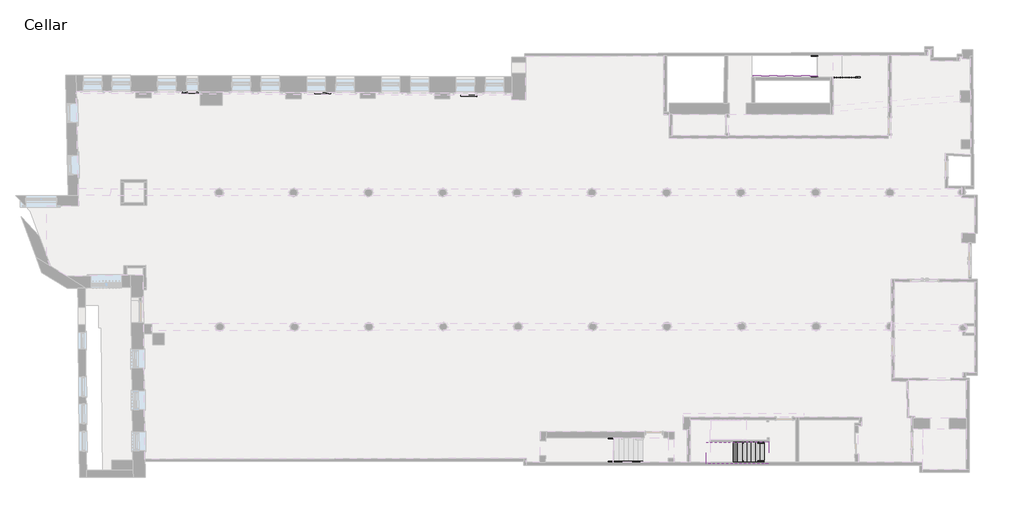
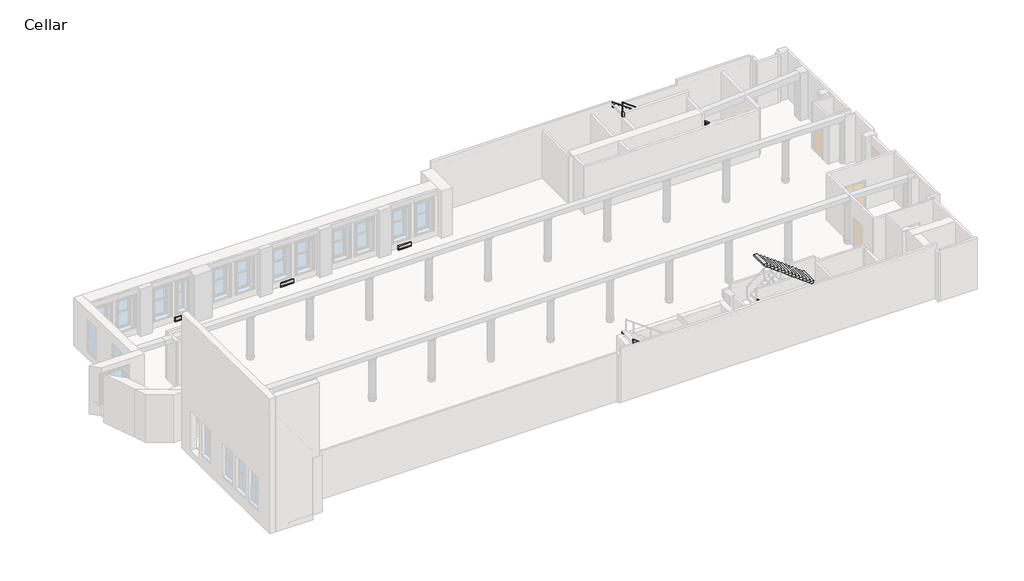
# One storey, part 6 of 6: 4 members, 4 railings, 3 proxies, 2 stair flights.
"""IFC4 building model written with IfcOpenShell, lengths in millimetres."""

import ifcopenshell
import ifcopenshell.guid

model = None  # the IFC model being written
_history = None  # IfcOwnerHistory: only IFC2X3 demands one
_inside = {}  # id of a spatial element -> (the spatial element, [elements in it])
_under = {}  # id of a project, library or spatial element -> (it, [spatial elements below it])
_declared = {}  # id of a project -> (the project, [libraries it declares])
_typed = {}  # id of a type object -> (the type object, [elements of that type])
_made_of = {}  # id of a material, layer set ... -> (it, [elements and type objects made of it])


def new_model(schema):
    """Start an empty IFC model of exactly this schema.

    Asked for "IFC4X3", IfcOpenShell would pick the latest addendum, in which some entities
    have other attributes; the version numbers below select the first issue.
    IFC2X3 requires an IfcOwnerHistory on every rooted entity: one is made here for all.
    """
    global model, _history
    if schema == "IFC4X3":
        model = ifcopenshell.file(schema_version=(4, 3, 0, 0))
    else:
        model = ifcopenshell.file(schema=schema)
    _inside.clear()
    _under.clear()
    _declared.clear()
    _typed.clear()
    _made_of.clear()
    _history = None
    if model.schema == "IFC2X3":
        org = make("IfcOrganization", Name="unknown")
        user = make(
            "IfcPersonAndOrganization",
            ThePerson=make("IfcPerson", FamilyName="unknown"),
            TheOrganization=org,
        )
        app = make(
            "IfcApplication",
            ApplicationDeveloper=org,
            Version="unknown",
            ApplicationFullName="unknown",
            ApplicationIdentifier="unknown",
        )
        _history = make(
            "IfcOwnerHistory",
            OwningUser=user,
            OwningApplication=app,
            ChangeAction="ADDED",
            CreationDate=0,
        )
    return model


def make(cls, **values):
    """One entity of the class cls with the attributes given. An attribute that is None is left unset."""
    return model.create_entity(
        cls, **{name: value for name, value in values.items() if value is not None}
    )


def rooted(cls, **values):
    """An entity with a GlobalId (a new one), such as an element, a storey or a relation."""
    return make(cls, GlobalId=ifcopenshell.guid.new(), OwnerHistory=_history, **values)


def si_unit(unit_type, name, prefix=None):
    """IfcSIUnit, for example si_unit("LENGTHUNIT", "METRE", prefix="MILLI")."""
    return make("IfcSIUnit", UnitType=unit_type, Prefix=prefix, Name=name)


def assignment(units):
    """IfcUnitAssignment: the units of a project."""
    return None if units is None else make("IfcUnitAssignment", Units=units)


def point(xyz):
    """IfcCartesianPoint."""
    return None if xyz is None else make("IfcCartesianPoint", Coordinates=xyz)


def direction(xyz):
    """IfcDirection."""
    return None if xyz is None else make("IfcDirection", DirectionRatios=xyz)


def frame(location, z_axis=None, x_axis=None):
    """IfcAxis2Placement3D, a coordinate frame: its origin and axes. An axis left out is left unset."""
    return make(
        "IfcAxis2Placement3D",
        Location=point(location),
        Axis=direction(z_axis),
        RefDirection=direction(x_axis),
    )


def origin():
    """The frame at (0, 0, 0) with its axes left unset."""
    return frame((0.0, 0.0, 0.0))


def origin_with_axes():
    """The frame at (0, 0, 0) with the z axis (0, 0, 1) and the x axis (1, 0, 0) written out."""
    return frame((0.0, 0.0, 0.0), z_axis=(0.0, 0.0, 1.0), x_axis=(1.0, 0.0, 0.0))


def place(relative_to, where):
    """IfcLocalPlacement: puts the frame where relative to a parent placement (None: the world)."""
    return make(
        "IfcLocalPlacement", PlacementRelTo=relative_to, RelativePlacement=where
    )


def context(
    kind, dimensions, precision=None, world=None, true_north=None, identifier=None
):
    """IfcGeometricRepresentationContext, for example the 3D "Model" context."""
    return make(
        "IfcGeometricRepresentationContext",
        ContextIdentifier=identifier,
        ContextType=kind,
        CoordinateSpaceDimension=dimensions,
        Precision=precision,
        WorldCoordinateSystem=world,
        TrueNorth=true_north,
    )


def project(units=None, contexts=None):
    """IfcProject with its units and contexts."""
    return rooted(
        "IfcProject",
        Name="project",
        RepresentationContexts=contexts,
        UnitsInContext=assignment(units),
    )


def spatial(cls, under=None, at=None, **own):
    """A site, building, storey or space (cls), placed at a placement, below another one or the project."""
    s = rooted(cls, ObjectPlacement=at, **own)
    if under is not None:
        _under.setdefault(under.id(), (under, []))[1].append(s)
    return s


def polyline(points):
    """IfcPolyline through the points."""
    return make("IfcPolyline", Points=[point(p) for p in points])


def circle_curve(where, radius):
    """IfcCircle in the frame where."""
    return make("IfcCircle", Position=where, Radius=radius)


def ellipse_curve(where, semi_axis1, semi_axis2):
    """IfcEllipse in the frame where."""
    return make(
        "IfcEllipse", Position=where, SemiAxis1=semi_axis1, SemiAxis2=semi_axis2
    )


def outline(outer, holes=None, kind="AREA"):
    """IfcArbitraryClosedProfileDef: a profile drawn as a closed curve; with holes, ...WithVoids."""
    if holes is None:
        return make("IfcArbitraryClosedProfileDef", ProfileType=kind, OuterCurve=outer)
    return make(
        "IfcArbitraryProfileDefWithVoids",
        ProfileType=kind,
        OuterCurve=outer,
        InnerCurves=holes,
    )


def extrude(swept, where, along, depth):
    """IfcExtrudedAreaSolid: the profile swept, set in the frame where, extruded along a direction by depth."""
    return make(
        "IfcExtrudedAreaSolid",
        SweptArea=swept,
        Position=where,
        ExtrudedDirection=direction(along),
        Depth=depth,
    )


def faces_of(points, faces, orient=None, outer=None):
    """IfcFace entities. A face is a list of loops; a loop is a list of indices into points, from 0.

    orient and outer hold one flag for each loop. By default every Orientation is true, the
    first loop of a face is its IfcFaceOuterBound and the others are IfcFaceBound.
    """
    made = []
    for i, loops in enumerate(faces):
        bounds = []
        for j, loop in enumerate(loops):
            is_outer = j == 0 if outer is None else outer[i][j]
            bounds.append(
                make(
                    "IfcFaceOuterBound" if is_outer else "IfcFaceBound",
                    Bound=make("IfcPolyLoop", Polygon=[points[k] for k in loop]),
                    Orientation=True if orient is None else orient[i][j],
                )
            )
        made.append(make("IfcFace", Bounds=bounds))
    return made


def faceted_brep(points, faces, orient=None, outer=None, voids=None):
    """IfcFacetedBrep: a solid bounded by flat faces; with voids (closed shells), ...WithVoids."""
    shared = [point(p) for p in points]
    hull = make("IfcClosedShell", CfsFaces=faces_of(shared, faces, orient, outer))
    if voids is None:
        return make("IfcFacetedBrep", Outer=hull)
    return make(
        "IfcFacetedBrepWithVoids",
        Outer=hull,
        Voids=[
            make(cls, CfsFaces=faces_of(shared, fs, o, b)) for cls, fs, o, b in voids
        ],
    )


def shape(context_of_items, identifier, shape_type, items):
    """IfcShapeRepresentation: the items that make up one representation, for example the "Body"."""
    return make(
        "IfcShapeRepresentation",
        ContextOfItems=context_of_items,
        RepresentationIdentifier=identifier,
        RepresentationType=shape_type,
        Items=items,
    )


def source(mapping_origin, context_of_items, identifier, shape_type, items):
    """IfcRepresentationMap: a shape defined once, which mapped items show again and again."""
    return make(
        "IfcRepresentationMap",
        MappingOrigin=mapping_origin,
        MappedRepresentation=shape(context_of_items, identifier, shape_type, items),
    )


def transform(
    local_origin,
    x_axis=None,
    y_axis=None,
    z_axis=None,
    scale=None,
    scale2=None,
    scale3=None,
    uniform=True,
):
    """IfcCartesianTransformationOperator3D, or its non-uniform kind. x_axis, y_axis, z_axis: its Axis1, 2, 3."""
    if uniform:
        return make(
            "IfcCartesianTransformationOperator3D",
            Axis1=direction(x_axis),
            Axis2=direction(y_axis),
            LocalOrigin=point(local_origin),
            Scale=scale,
            Axis3=direction(z_axis),
        )
    return make(
        "IfcCartesianTransformationOperator3DnonUniform",
        Axis1=direction(x_axis),
        Axis2=direction(y_axis),
        LocalOrigin=point(local_origin),
        Scale=scale,
        Axis3=direction(z_axis),
        Scale2=scale2,
        Scale3=scale3,
    )


def mapped(mapping_source, mapping_target):
    """IfcMappedItem: shows the shape of a source again, moved by a transform."""
    return make(
        "IfcMappedItem", MappingSource=mapping_source, MappingTarget=mapping_target
    )


def made_of(thing, what):
    """Note that an element or type object is made of a material, layer set ...; save() writes the relation."""
    if what is not None:
        _made_of.setdefault(what.id(), (what, []))[1].append(thing)
    return thing


def element(
    cls,
    number,
    at=None,
    inside=None,
    cuts=None,
    type_object=None,
    material=None,
    context=None,
    identifier="Body",
    shape_type=None,
    held_by="IfcProductDefinitionShape",
    body=None,
    shapes=None,
    **own,
):
    """One element of the class cls, such as IfcWall. Its Tag is "e" and its number.

    at: its placement. inside: the storey or other place that contains it. cuts: it is an
    opening in that element (IfcRelVoidsElement). A single representation is given by context,
    identifier, shape_type and body (its items); several are given by shapes. held_by: the class
    of the entity that holds the representations. save() writes the other relations.
    """
    e = rooted(cls, Tag="e%d" % number, ObjectPlacement=at, **own)
    if body is not None:
        shapes = [shape(context, identifier, shape_type, body)]
    if shapes is not None:
        e.Representation = make(held_by, Representations=shapes)
    if inside is not None:
        _inside.setdefault(inside.id(), (inside, []))[1].append(e)
    if cuts is not None:
        rooted(
            "IfcRelVoidsElement", RelatingBuildingElement=cuts, RelatedOpeningElement=e
        )
    if type_object is not None:
        _typed.setdefault(type_object.id(), (type_object, []))[1].append(e)
    return made_of(e, material)


def aggregate(whole, parts):
    """IfcRelAggregates: a whole, such as a stair, and the parts it consists of."""
    return rooted("IfcRelAggregates", RelatingObject=whole, RelatedObjects=parts)


def save(model, path):
    """Write the relations noted so far, then the file.

    IfcRelAggregates (storeys below a building ...), IfcRelContainedInSpatialStructure (elements
    in a storey), IfcRelDefinesByType, IfcRelAssociatesMaterial and IfcRelDeclares: one each for
    every whole, place, type object, material and project.
    """
    for whole, parts in _under.values():
        aggregate(whole, parts)
    for where, things in _inside.values():
        rooted(
            "IfcRelContainedInSpatialStructure",
            RelatedElements=things,
            RelatingStructure=where,
        )
    for kind, things in _typed.values():
        rooted("IfcRelDefinesByType", RelatedObjects=things, RelatingType=kind)
    for what, things in _made_of.values():
        rooted("IfcRelAssociatesMaterial", RelatedObjects=things, RelatingMaterial=what)
    for by, libraries in _declared.values():
        rooted("IfcRelDeclares", RelatingContext=by, RelatedDefinitions=libraries)
    model.write(path)


def plane_surface(at):
    """IfcPlane: the flat surface through the origin of the frame at, square to its z axis."""
    return make("IfcPlane", Position=at)


def cylinder_surface(at, radius):
    """IfcCylindricalSurface: all points at the distance radius from the z axis of the frame at."""
    return make("IfcCylindricalSurface", Position=at, Radius=radius)


def advanced_brep(points, edges, surfaces, faces):
    """IfcAdvancedBrep: a solid bounded by faces that lie on surfaces and meet in shared edges.

    An edge is (start, end): straight between two places in points (the first is 0);
    or (start, end, curve); or (start, end, curve, False) where it runs against its curve.
    A face is (place in surfaces, loops), or (place, loops, False) where it looks against
    its surface's normal. A loop lists edges by number (the first is 1), with a minus sign
    where the edge is run from its end to its start. The first loop is the outer one.
    """
    corners = [point(p) for p in points]
    vertices = [make("IfcVertexPoint", VertexGeometry=c) for c in corners]
    made = []
    for start, end, *more in edges:
        made.append(
            make(
                "IfcEdgeCurve",
                EdgeStart=vertices[start],
                EdgeEnd=vertices[end],
                EdgeGeometry=more[0] if more else make("IfcPolyline", Points=[corners[start], corners[end]]),
                SameSense=more[1] if len(more) > 1 else True,
            )
        )
    hull = []
    for where, loops, *sense in faces:
        bounds = []
        for j, loop in enumerate(loops):
            ring = [make("IfcOrientedEdge", EdgeElement=made[abs(k) - 1], Orientation=k > 0) for k in loop]
            bounds.append(
                make(
                    "IfcFaceOuterBound" if j == 0 else "IfcFaceBound",
                    Bound=make("IfcEdgeLoop", EdgeList=ring),
                    Orientation=True,
                )
            )
        hull.append(make("IfcAdvancedFace", Bounds=bounds, FaceSurface=surfaces[where], SameSense=sense[0] if sense else True))
    return make("IfcAdvancedBrep", Outer=make("IfcClosedShell", CfsFaces=hull))


def baseboard_heater_02_baseboard_heater_03_ea07f9ee(model_context):
    return source(origin(), model_context, "Body", "SweptSolid", [
        extrude(outline(polyline([(457.2, 0.0), (-457.2, 0.0), (-457.2, 76.2), (457.2, 76.2), (457.2, 0.0)])), origin_with_axes(), (0.0, 0.0, 1.0), 63.5),
        extrude(outline(polyline([(457.2, 25.4), (-457.2, 25.4), (-457.2, 76.2), (457.2, 76.2), (457.2, 25.4)])), frame((0.0, 0.0, 63.5), z_axis=(0.0, 0.0, 1.0), x_axis=(1.0, 0.0, 0.0)), (0.0, 0.0, 1.0), 25.4),
        extrude(outline(polyline([(457.2, 0.0), (-457.2, 0.0), (-457.2, 76.2), (457.2, 76.2), (457.2, 0.0)])), frame((0.0, 0.0, 88.9), z_axis=(0.0, 0.0, 1.0), x_axis=(1.0, 0.0, 0.0)), (0.0, 0.0, 1.0), 215.8067597),
    ])


def baseboard_heater_02_baseboard_heater_03_cfe7ee0d(model_context):
    return source(origin(), model_context, "Body", "SweptSolid", [
        extrude(outline(polyline([(457.2, 0.0), (457.2, -76.2), (-457.2, -76.2), (-457.2, 0.0), (457.2, 0.0)])), origin_with_axes(), (0.0, 0.0, 1.0), 63.5),
        extrude(outline(polyline([(457.2, -25.4), (457.2, -76.2), (-457.2, -76.2), (-457.2, -25.4), (457.2, -25.4)])), frame((0.0, 0.0, 63.5), z_axis=(0.0, 0.0, 1.0), x_axis=(1.0, 0.0, 0.0)), (0.0, 0.0, 1.0), 25.4),
        extrude(outline(polyline([(457.2, 0.0), (457.2, -76.2), (-457.2, -76.2), (-457.2, 0.0), (457.2, 0.0)])), frame((0.0, 0.0, 88.9), z_axis=(0.0, 0.0, 1.0), x_axis=(1.0, 0.0, 0.0)), (0.0, 0.0, 1.0), 215.8067597),
    ])


model = new_model("IFC4")

# Units and contexts
model_context = context("Model", 3, world=origin())
ifc_project = project(units=[si_unit("LENGTHUNIT", "METRE", prefix="MILLI")], contexts=[model_context])

# Site, building, storey
site = spatial("IfcSite", under=ifc_project)
building = spatial("IfcBuilding", under=site)
storey = spatial("IfcBuildingStorey", under=building, Name="Cellar", Elevation=-4064.0)

# Proxies
placement = place(None, origin())
baseboard_heater_02_baseboard_heater_03_shape = baseboard_heater_02_baseboard_heater_03_ea07f9ee(model_context)
element("IfcBuildingElementProxy", 1, Name="Baseboard Heater_02 : Baseboard Heater_03", ObjectType="Baseboard Heater_02 : Baseboard Heater_03", at=placement, inside=storey, context=model_context, shape_type="MappedRepresentation", body=[
    mapped(baseboard_heater_02_baseboard_heater_03_shape, transform((25103.0814205, 22199.0177745, -4064.0), x_axis=(0.999992402785098, -0.003897995906368524, 0.0), y_axis=(0.0038979959063685237, 0.9999924027850979, 0.0), z_axis=(0.0, 0.0, 0.9999999999999999))),
])
element("IfcBuildingElementProxy", 2, Name="Baseboard Heater_02 : Baseboard Heater_03", ObjectType="Baseboard Heater_02 : Baseboard Heater_03", at=placement, inside=storey, context=model_context, shape_type="MappedRepresentation", body=[
    mapped(baseboard_heater_02_baseboard_heater_03_shape, transform((16837.9893758, 22358.9778881, -4044.95), x_axis=(0.999992402785098, -0.0038979959063685237, 0.0), y_axis=(0.0038979959063685232, 0.9999924027850979, 0.0), z_axis=(0.0, 0.0, 0.9999999999999999))),
])
baseboard_heater_02_baseboard_heater_03_2_shape = baseboard_heater_02_baseboard_heater_03_cfe7ee0d(model_context)
element("IfcBuildingElementProxy", 3, Name="Baseboard Heater_02 : Baseboard Heater_03", ObjectType="Baseboard Heater_02 : Baseboard Heater_03", at=placement, inside=storey, context=model_context, shape_type="MappedRepresentation", body=[
    mapped(baseboard_heater_02_baseboard_heater_03_2_shape, transform((9323.4434813, 22388.3193118, -4044.95), x_axis=(-0.999992402785098, -0.003897995906368524, 0.0), y_axis=(0.0038979959063685237, -0.9999924027850979, 0.0), z_axis=(0.0, 0.0, 0.9999999999999999))),
])

# Members
element("IfcMember", 4, ObjectType="Stringer - 2\" Width", at=placement, inside=storey, context=model_context, shape_type="SweptSolid", body=[
    extrude(outline(polyline([(-4114.8, 34963.5517692), (-3890.4278191, 34963.5517692), (196.904739, 29336.1817692), (-179.8108644, 29336.1817692), (-4114.8, 34753.8079342), (-4114.8, 34963.5517692)])), frame((0.0, 1453.9573887, 0.0), z_axis=(0.0, 1.0, 0.0), x_axis=(0.0, 0.0, 1.0)), (0.0, 0.0, 1.0), 50.8),
])
element("IfcMember", 5, ObjectType="Stringer - 2\" Width", at=placement, inside=storey, context=model_context, shape_type="Brep", body=[
    faceted_brep([(34931.8017692, 2793.5423935, -4114.8), (34753.8079342, 2793.5423935, -4114.8), (34753.8079342, 2844.3423935, -4114.8), (34931.8017692, 2844.3423935, -4114.8), (29336.1817692, 2844.3423935, -179.8108644), (29336.1817692, 2793.5423935, -179.8108644), (29336.1817692, 2793.5423935, -78.2674419), (29336.1817692, 2844.3423935, -78.2674419), (29572.4017692, 2844.3423935, -351.384743), (29840.3717692, 2844.3423935, -546.0196267), (30108.3417692, 2844.3423935, -740.6545104), (30376.3117692, 2844.3423935, -935.2893941), (30644.2817692, 2844.3423935, -1129.9242779), (30912.2517692, 2844.3423935, -1324.5591616), (31180.2217692, 2844.3423935, -1519.1940453), (31448.1917692, 2844.3423935, -1713.828929), (31716.1617692, 2844.3423935, -1908.4638127), (31984.1317692, 2844.3423935, -2103.0986965), (32252.1017692, 2844.3423935, -2297.7335802), (32520.0717692, 2844.3423935, -2492.3684639), (32788.0417692, 2844.3423935, -2687.0033476), (33056.0117692, 2844.3423935, -2881.6382313), (33323.9817692, 2844.3423935, -3076.2731151), (33591.9517692, 2844.3423935, -3270.9079988), (33859.9217692, 2844.3423935, -3465.5428825), (34127.8917692, 2844.3423935, -3660.1777662), (34395.8617692, 2844.3423935, -3854.81265), (34663.8317692, 2844.3423935, -4049.4475337), (34931.8017692, 2793.5423935, -3970.9651163), (34663.8317692, 2793.5423935, -3970.9651163), (34663.8317692, 2793.5423935, -3776.3302326), (34395.8617692, 2793.5423935, -3776.3302326), (34395.8617692, 2793.5423935, -3581.6953488), (34127.8917692, 2793.5423935, -3581.6953488), (34127.8917692, 2793.5423935, -3387.0604651), (33859.9217692, 2793.5423935, -3387.0604651), (33859.9217692, 2793.5423935, -3192.4255814), (33591.9517692, 2793.5423935, -3192.4255814), (33591.9517692, 2793.5423935, -2997.7906977), (33323.9817692, 2793.5423935, -2997.7906977), (33323.9817692, 2793.5423935, -2803.155814), (33056.0117692, 2793.5423935, -2803.155814), (33056.0117692, 2793.5423935, -2608.5209302), (32788.0417692, 2793.5423935, -2608.5209302), (32788.0417692, 2793.5423935, -2413.8860465), (32520.0717692, 2793.5423935, -2413.8860465), (32520.0717692, 2793.5423935, -2219.2511628), (32252.1017692, 2793.5423935, -2219.2511628), (32252.1017692, 2793.5423935, -2024.6162791), (31984.1317692, 2793.5423935, -2024.6162791), (31984.1317692, 2793.5423935, -1829.9813953), (31716.1617692, 2793.5423935, -1829.9813953), (31716.1617692, 2793.5423935, -1635.3465116), (31448.1917692, 2793.5423935, -1635.3465116), (31448.1917692, 2793.5423935, -1440.7116279), (31180.2217692, 2793.5423935, -1440.7116279), (31180.2217692, 2793.5423935, -1246.0767442), (30912.2517692, 2793.5423935, -1246.0767442), (30912.2517692, 2793.5423935, -1051.4418605), (30644.2817692, 2793.5423935, -1051.4418605), (30644.2817692, 2793.5423935, -856.8069767), (30376.3117692, 2793.5423935, -856.8069767), (30376.3117692, 2793.5423935, -662.172093), (30108.3417692, 2793.5423935, -662.172093), (30108.3417692, 2793.5423935, -467.5372093), (29840.3717692, 2793.5423935, -467.5372093), (29840.3717692, 2793.5423935, -272.9023256), (29572.4017692, 2793.5423935, -272.9023256), (29572.4017692, 2793.5423935, -78.2674419), (29572.4017692, 2844.3423935, -78.2674419), (29572.4017692, 2844.3423935, -272.9023256), (29840.3717692, 2844.3423935, -272.9023256), (29840.3717692, 2844.3423935, -467.5372093), (30108.3417692, 2844.3423935, -467.5372093), (30108.3417692, 2844.3423935, -662.172093), (30376.3117692, 2844.3423935, -662.172093), (30376.3117692, 2844.3423935, -856.8069767), (30644.2817692, 2844.3423935, -856.8069767), (30644.2817692, 2844.3423935, -1051.4418605), (30912.2517692, 2844.3423935, -1051.4418605), (30912.2517692, 2844.3423935, -1246.0767442), (31180.2217692, 2844.3423935, -1246.0767442), (31180.2217692, 2844.3423935, -1440.7116279), (31448.1917692, 2844.3423935, -1440.7116279), (31448.1917692, 2844.3423935, -1635.3465116), (31716.1617692, 2844.3423935, -1635.3465116), (31716.1617692, 2844.3423935, -1829.9813953), (31984.1317692, 2844.3423935, -1829.9813953), (31984.1317692, 2844.3423935, -2024.6162791), (32252.1017692, 2844.3423935, -2024.6162791), (32252.1017692, 2844.3423935, -2219.2511628), (32520.0717692, 2844.3423935, -2219.2511628), (32520.0717692, 2844.3423935, -2413.8860465), (32788.0417692, 2844.3423935, -2413.8860465), (32788.0417692, 2844.3423935, -2608.5209302), (33056.0117692, 2844.3423935, -2608.5209302), (33056.0117692, 2844.3423935, -2803.155814), (33323.9817692, 2844.3423935, -2803.155814), (33323.9817692, 2844.3423935, -2997.7906977), (33591.9517692, 2844.3423935, -2997.7906977), (33591.9517692, 2844.3423935, -3192.4255814), (33859.9217692, 2844.3423935, -3192.4255814), (33859.9217692, 2844.3423935, -3387.0604651), (34127.8917692, 2844.3423935, -3387.0604651), (34127.8917692, 2844.3423935, -3581.6953488), (34395.8617692, 2844.3423935, -3581.6953488), (34395.8617692, 2844.3423935, -3776.3302326), (34663.8317692, 2844.3423935, -3776.3302326), (34663.8317692, 2844.3423935, -3970.9651163), (34931.8017692, 2844.3423935, -3970.9651163)], [[[0, 1, 2, 3]], [[4, 5, 6, 7]], [[5, 4, 8, 9, 10, 11, 12, 13, 14, 15, 16, 17, 18, 19, 20, 21, 22, 23, 24, 25, 26, 27, 2, 1]], [[6, 5, 1, 0, 28, 29, 30, 31, 32, 33, 34, 35, 36, 37, 38, 39, 40, 41, 42, 43, 44, 45, 46, 47, 48, 49, 50, 51, 52, 53, 54, 55, 56, 57, 58, 59, 60, 61, 62, 63, 64, 65, 66, 67, 68]], [[68, 69, 7, 6]], [[4, 7, 69, 70, 71, 72, 73, 74, 75, 76, 77, 78, 79, 80, 81, 82, 83, 84, 85, 86, 87, 88, 89, 90, 91, 92, 93, 94, 95, 96, 97, 98, 99, 100, 101, 102, 103, 104, 105, 106, 107, 108, 109, 3, 2, 27, 26, 25, 24, 23, 22, 21, 20, 19, 18, 17, 16, 15, 14, 13, 12, 11, 10, 9, 8]], [[109, 28, 0, 3]], [[28, 109, 108, 29]], [[29, 108, 107, 30]], [[30, 107, 106, 31]], [[31, 106, 105, 32]], [[32, 105, 104, 33]], [[33, 104, 103, 34]], [[34, 103, 102, 35]], [[35, 102, 101, 36]], [[36, 101, 100, 37]], [[37, 100, 99, 38]], [[38, 99, 98, 39]], [[39, 98, 97, 40]], [[40, 97, 96, 41]], [[41, 96, 95, 42]], [[42, 95, 94, 43]], [[43, 94, 93, 44]], [[44, 93, 92, 45]], [[45, 92, 91, 46]], [[46, 91, 90, 47]], [[47, 90, 89, 48]], [[48, 89, 88, 49]], [[49, 88, 87, 50]], [[50, 87, 86, 51]], [[51, 86, 85, 52]], [[52, 85, 84, 53]], [[53, 84, 83, 54]], [[54, 83, 82, 55]], [[55, 82, 81, 56]], [[56, 81, 80, 57]], [[57, 80, 79, 58]], [[58, 79, 78, 59]], [[59, 78, 77, 60]], [[60, 77, 76, 61]], [[61, 76, 75, 62]], [[62, 75, 74, 63]], [[63, 74, 73, 64]], [[64, 73, 72, 65]], [[65, 72, 71, 66]], [[66, 71, 70, 67]], [[67, 70, 69, 68]]]),
])
element("IfcMember", 6, ObjectType="Stringer - 2\" Width", at=placement, inside=storey, context=model_context, shape_type="SweptSolid", body=[
    extrude(outline(polyline([(-2971.8, 44889.8101274), (-2748.0959837, 44889.8101274), (-58.8709837, 41156.0101274), (-434.4982374, 41156.0101274), (-2971.8, 44678.8753846), (-2971.8, 44889.8101274)])), frame((0.0, 23277.1696018, 0.0), z_axis=(0.0, 1.0, 0.0), x_axis=(0.0, 0.0, 1.0)), (0.0, 0.0, 1.0), 50.8),
])
element("IfcMember", 7, ObjectType="Stringer - 2\" Width", at=placement, inside=storey, context=model_context, shape_type="SweptSolid", body=[
    extrude(outline(polyline([(-2971.8, 44889.8101274), (-2748.0959837, 44889.8101274), (-58.8709837, 41156.0101274), (-434.4982374, 41156.0101274), (-2971.8, 44678.8753846), (-2971.8, 44889.8101274)])), frame((0.0, 24465.7360438, 0.0), z_axis=(0.0, 1.0, 0.0), x_axis=(0.0, 0.0, 1.0)), (0.0, 0.0, 1.0), 50.8),
])

# Railings
element("IfcRailing", 8, ObjectType="Handrail - Pipe 01", at=placement, inside=storey, context=model_context, shape_type="AdvancedBrep", body=[
    advanced_brep(
    [(41875.9912199, 2568.1922553, -3132.0790948), (41875.9912199, 2530.0922553, -3132.0790948), (38801.235035, 2568.1922553, -785.015207), (38801.235035, 2530.0922553, -785.015207)],
    [
        (0, 1, ellipse_curve(frame((41875.9912199, 2549.1422553, -3132.0790948), z_axis=(1.0, 0.0, 0.0), x_axis=(0.0, 0.0, -1.0)), 23.9657615, 19.05)),
        (1, 0, ellipse_curve(frame((41875.9912199, 2549.1422553, -3132.0790948), z_axis=(1.0, 0.0, 0.0), x_axis=(0.0, 0.0, -1.0)), 23.9657615, 19.05)),
        (2, 3, ellipse_curve(frame((38801.235035, 2549.1422553, -785.015207), z_axis=(-1.0, 0.0, 0.0), x_axis=(0.0, 0.0, -1.0)), 23.9657615, 19.05)),
        (3, 2, ellipse_curve(frame((38801.235035, 2549.1422553, -785.015207), z_axis=(-1.0, 0.0, 0.0), x_axis=(0.0, 0.0, -1.0)), 23.9657615, 19.05)),
        (0, 2),
        (3, 1),
    ],
    [
        plane_surface(frame((41875.9912199, 2549.1422553, -3108.1133333), z_axis=(1.0, 0.0, 0.0), x_axis=(0.0, -1.0, 0.0))),
        plane_surface(frame((38801.235035, 2549.1422553, -761.0494456), z_axis=(-1.0, 0.0, 0.0), x_axis=(0.0, -1.0, 0.0))),
        cylinder_surface(frame((41864.4324144, 2549.1422553, -3123.2558733), z_axis=(0.7948839862059094, 0.0, -0.6067614428038451), x_axis=(0.0, -1.0, 0.0)), 19.05),
    ],
    [
        (0, [[1, 2]]),
        (1, [[3, 4]]),
        (2, [[-1, 5, -4, 6]]),
        (2, [[-2, -6, -3, -5]]),
    ],
),
    advanced_brep(
    [(39437.5912199, 2561.8422553, -1294.7328562), (39437.5912199, 2561.8422553, -2175.9333333), (39437.5912199, 2536.4422553, -2175.9333333), (39437.5912199, 2536.4422553, -1294.7328562)],
    [
        (0, 1),
        (1, 2, circle_curve(frame((39437.5912199, 2549.1422553, -2175.9333333), z_axis=(0.0, 0.0, 1.0), x_axis=(0.0, -1.0, 0.0)), 12.7)),
        (2, 3),
        (3, 0, ellipse_curve(frame((39437.5912199, 2549.1422553, -1294.7328562), z_axis=(-0.6067614428038441, 0.0, -0.79488398620591), x_axis=(-0.79488398620591, 0.0, 0.6067614428038441)), 15.9771743, 12.7)),
        (0, 3, ellipse_curve(frame((39437.5912199, 2549.1422553, -1294.7328562), z_axis=(-0.6067614428038441, 0.0, -0.79488398620591), x_axis=(-0.79488398620591, 0.0, 0.6067614428038441)), 15.9771743, 12.7)),
        (2, 1, circle_curve(frame((39437.5912199, 2549.1422553, -2175.9333333), z_axis=(0.0, 0.0, 1.0), x_axis=(0.0, -1.0, 0.0)), 12.7)),
    ],
    [
        cylinder_surface(frame((39437.5912199, 2549.1422553, -2404.5333333), z_axis=(0.0, 0.0, 1.0), x_axis=(0.0, -1.0, 0.0)), 12.7),
        plane_surface(frame((39412.1912199, 2523.7422553, -1275.3441896), z_axis=(0.6067614428038441, 0.0, 0.79488398620591), x_axis=(0.0, 1.0, 0.0))),
        plane_surface(frame((39462.9912199, 2523.7422553, -2175.9333333), z_axis=(0.0, 0.0, -1.0), x_axis=(0.0, 1.0, 0.0))),
    ],
    [
        (0, [[1, 2, 3, 4]]),
        (0, [[-1, 5, -3, 6]]),
        (1, [[-4, -5]]),
        (2, [[-2, -6]]),
    ],
),
    advanced_brep(
    [(40656.7912199, 2561.8422553, -2225.3888562), (40656.7912199, 2561.8422553, -3145.3666667), (40656.7912199, 2536.4422553, -3145.3666667), (40656.7912199, 2536.4422553, -2225.3888562)],
    [
        (0, 1),
        (1, 2, circle_curve(frame((40656.7912199, 2549.1422553, -3145.3666667), z_axis=(0.0, 0.0, 1.0), x_axis=(0.0, -1.0, 0.0)), 12.7)),
        (2, 3),
        (3, 0, ellipse_curve(frame((40656.7912199, 2549.1422553, -2225.3888562), z_axis=(-0.6067614428038428, 0.0, -0.794883986205911), x_axis=(-0.7948839862059109, 0.0, 0.6067614428038427)), 15.9771743, 12.7)),
        (0, 3, ellipse_curve(frame((40656.7912199, 2549.1422553, -2225.3888562), z_axis=(-0.6067614428038428, 0.0, -0.794883986205911), x_axis=(-0.7948839862059109, 0.0, 0.6067614428038427)), 15.9771743, 12.7)),
        (2, 1, circle_curve(frame((40656.7912199, 2549.1422553, -3145.3666667), z_axis=(0.0, 0.0, 1.0), x_axis=(0.0, -1.0, 0.0)), 12.7)),
    ],
    [
        cylinder_surface(frame((40656.7912199, 2549.1422553, -3373.9666667), z_axis=(0.0, 0.0, 1.0), x_axis=(0.0, -1.0, 0.0)), 12.7),
        plane_surface(frame((40631.3912199, 2523.7422553, -2206.0001896), z_axis=(0.6067614428038428, 0.0, 0.794883986205911), x_axis=(0.0, 1.0, 0.0))),
        plane_surface(frame((40682.1912199, 2523.7422553, -3145.3666667), z_axis=(0.0, 0.0, -1.0), x_axis=(0.0, 1.0, 0.0))),
    ],
    [
        (0, [[1, 2, 3, 4]]),
        (0, [[-1, 5, -3, 6]]),
        (1, [[-4, -5]]),
        (2, [[-2, -6]]),
    ],
),
    advanced_brep(
    [(38813.935035, 2561.8422553, -818.6753018), (38813.935035, 2561.8422553, -1594.2733333), (38813.935035, 2536.4422553, -1594.2733333), (38813.935035, 2536.4422553, -818.6753018)],
    [
        (0, 1),
        (1, 2, circle_curve(frame((38813.935035, 2549.1422553, -1594.2733333), z_axis=(0.0, 0.0, 1.0), x_axis=(0.0, -1.0, 0.0)), 12.7)),
        (2, 3),
        (3, 0, ellipse_curve(frame((38813.935035, 2549.1422553, -818.6753018), z_axis=(-0.6067614428038428, 0.0, -0.794883986205911), x_axis=(-0.7948839862059109, 0.0, 0.6067614428038427)), 15.9771743, 12.7)),
        (0, 3, ellipse_curve(frame((38813.935035, 2549.1422553, -818.6753018), z_axis=(-0.6067614428038428, 0.0, -0.794883986205911), x_axis=(-0.7948839862059109, 0.0, 0.6067614428038427)), 15.9771743, 12.7)),
        (2, 1, circle_curve(frame((38813.935035, 2549.1422553, -1594.2733333), z_axis=(0.0, 0.0, 1.0), x_axis=(0.0, -1.0, 0.0)), 12.7)),
    ],
    [
        cylinder_surface(frame((38813.935035, 2549.1422553, -1822.8733333), z_axis=(0.0, 0.0, 1.0), x_axis=(0.0, -1.0, 0.0)), 12.7),
        plane_surface(frame((38788.535035, 2523.7422553, -799.2866352), z_axis=(0.6067614428038428, 0.0, 0.794883986205911), x_axis=(0.0, 1.0, 0.0))),
        plane_surface(frame((38839.335035, 2523.7422553, -1594.2733333), z_axis=(0.0, 0.0, -1.0), x_axis=(0.0, 1.0, 0.0))),
    ],
    [
        (0, [[1, 2, 3, 4]]),
        (0, [[-1, 5, -3, 6]]),
        (1, [[-4, -5]]),
        (2, [[-2, -6]]),
    ],
),
    advanced_brep(
    [(41863.2912199, 2561.8422553, -3146.3505229), (41863.2912199, 2561.8422553, -3920.9133333), (41863.2912199, 2536.4422553, -3920.9133333), (41863.2912199, 2536.4422553, -3146.3505229)],
    [
        (0, 1),
        (1, 2, circle_curve(frame((41863.2912199, 2549.1422553, -3920.9133333), z_axis=(0.0, 0.0, 1.0), x_axis=(0.0, -1.0, 0.0)), 12.7)),
        (2, 3),
        (3, 0, ellipse_curve(frame((41863.2912199, 2549.1422553, -3146.3505229), z_axis=(-0.6067614428038428, 0.0, -0.794883986205911), x_axis=(-0.7948839862059109, 0.0, 0.6067614428038427)), 15.9771743, 12.7)),
        (0, 3, ellipse_curve(frame((41863.2912199, 2549.1422553, -3146.3505229), z_axis=(-0.6067614428038428, 0.0, -0.794883986205911), x_axis=(-0.7948839862059109, 0.0, 0.6067614428038427)), 15.9771743, 12.7)),
        (2, 1, circle_curve(frame((41863.2912199, 2549.1422553, -3920.9133333), z_axis=(0.0, 0.0, 1.0), x_axis=(0.0, -1.0, 0.0)), 12.7)),
    ],
    [
        cylinder_surface(frame((41863.2912199, 2549.1422553, -4149.5133333), z_axis=(0.0, 0.0, 1.0), x_axis=(0.0, -1.0, 0.0)), 12.7),
        plane_surface(frame((41837.8912199, 2523.7422553, -3126.9618562), z_axis=(0.6067614428038428, 0.0, 0.794883986205911), x_axis=(0.0, 1.0, 0.0))),
        plane_surface(frame((41888.6912199, 2523.7422553, -3920.9133333), z_axis=(0.0, 0.0, -1.0), x_axis=(0.0, 1.0, 0.0))),
    ],
    [
        (0, [[1, 2, 3, 4]]),
        (0, [[-1, 5, -3, 6]]),
        (1, [[-4, -5]]),
        (2, [[-2, -6]]),
    ],
),
])
element("IfcRailing", 9, ObjectType="Handrail - Pipe 02", at=placement, inside=storey, context=model_context, shape_type="AdvancedBrep", body=[
    advanced_brep(
    [(44889.8101274, 23397.8196018, -2091.9892034), (44889.8101274, 23359.7196018, -2091.9892034), (41232.2101274, 23397.8196018, 542.3536538), (41232.2101274, 23359.7196018, 542.3536538)],
    [
        (0, 1, ellipse_curve(frame((44889.8101274, 23378.7696018, -2091.9892034), z_axis=(1.0, 0.0, 0.0), x_axis=(0.0, 0.0, -1.0)), 23.4767034, 19.05)),
        (1, 0, ellipse_curve(frame((44889.8101274, 23378.7696018, -2091.9892034), z_axis=(1.0, 0.0, 0.0), x_axis=(0.0, 0.0, -1.0)), 23.4767034, 19.05)),
        (2, 3, ellipse_curve(frame((41232.2101274, 23378.7696018, 542.3536538), z_axis=(-1.0, 0.0, 0.0), x_axis=(0.0, 0.0, -1.0)), 23.4767034, 19.05)),
        (3, 2, ellipse_curve(frame((41232.2101274, 23378.7696018, 542.3536538), z_axis=(-1.0, 0.0, 0.0), x_axis=(0.0, 0.0, -1.0)), 23.4767034, 19.05)),
        (0, 2),
        (3, 1),
    ],
    [
        plane_surface(frame((44889.8101274, 23378.7696018, -2068.5125), z_axis=(1.0, 0.0, 0.0), x_axis=(0.0, -1.0, 0.0))),
        plane_surface(frame((41232.2101274, 23378.7696018, 565.8303571), z_axis=(-1.0, 0.0, 0.0), x_axis=(0.0, -1.0, 0.0))),
        cylinder_surface(frame((44878.6766986, 23378.7696018, -2083.9704838), z_axis=(0.8114427189462502, 0.0, -0.584431958288659), x_axis=(0.0, -1.0, 0.0)), 19.05),
    ],
    [
        (0, [[1, 2]]),
        (1, [[3, 4]]),
        (2, [[-1, 5, -4, 6]]),
        (2, [[-2, -6, -3, -5]]),
    ],
),
    advanced_brep(
    [(42451.4101274, 23366.0696018, -359.2373353), (42451.4101274, 23391.4696018, -359.2373353), (42451.4101274, 23391.4696018, -1050.925), (42451.4101274, 23366.0696018, -1050.925)],
    [
        (0, 1, ellipse_curve(frame((42451.4101274, 23378.7696018, -359.2373353), z_axis=(-0.5844319582886572, 0.0, -0.8114427189462514), x_axis=(-0.8114427189462513, 0.0, 0.5844319582886572)), 15.6511356, 12.7)),
        (1, 2),
        (2, 3, circle_curve(frame((42451.4101274, 23378.7696018, -1050.925), z_axis=(0.0, 0.0, 1.0), x_axis=(0.0, 1.0, 0.0)), 12.7)),
        (3, 0),
        (3, 2, circle_curve(frame((42451.4101274, 23378.7696018, -1050.925), z_axis=(0.0, 0.0, 1.0), x_axis=(0.0, 1.0, 0.0)), 12.7)),
        (1, 0, ellipse_curve(frame((42451.4101274, 23378.7696018, -359.2373353), z_axis=(-0.5844319582886572, 0.0, -0.8114427189462514), x_axis=(-0.8114427189462513, 0.0, 0.5844319582886572)), 15.6511356, 12.7)),
    ],
    [
        cylinder_surface(frame((42451.4101274, 23378.7696018, -1279.525), z_axis=(0.0, 0.0, 1.0), x_axis=(0.0, 1.0, 0.0)), 12.7),
        plane_surface(frame((42426.0101274, 23404.1696018, -340.9432877), z_axis=(0.5844319582886572, 0.0, 0.8114427189462514), x_axis=(0.0, -1.0, 0.0))),
        plane_surface(frame((42476.8101274, 23404.1696018, -1050.925), z_axis=(0.0, 0.0, -1.0), x_axis=(0.0, -1.0, 0.0))),
    ],
    [
        (0, [[1, 2, 3, 4]]),
        (0, [[5, -2, 6, -4]]),
        (1, [[-6, -1]]),
        (2, [[-5, -3]]),
    ],
),
    advanced_brep(
    [(43670.6101274, 23366.0696018, -1237.351621), (43670.6101274, 23391.4696018, -1237.351621), (43670.6101274, 23391.4696018, -2011.3625), (43670.6101274, 23366.0696018, -2011.3625)],
    [
        (0, 1, ellipse_curve(frame((43670.6101274, 23378.7696018, -1237.351621), z_axis=(-0.5844319582886587, 0.0, -0.8114427189462504), x_axis=(-0.8114427189462504, 0.0, 0.5844319582886586)), 15.6511356, 12.7)),
        (1, 2),
        (2, 3, circle_curve(frame((43670.6101274, 23378.7696018, -2011.3625), z_axis=(0.0, 0.0, 1.0), x_axis=(0.0, 1.0, 0.0)), 12.7)),
        (3, 0),
        (3, 2, circle_curve(frame((43670.6101274, 23378.7696018, -2011.3625), z_axis=(0.0, 0.0, 1.0), x_axis=(0.0, 1.0, 0.0)), 12.7)),
        (1, 0, ellipse_curve(frame((43670.6101274, 23378.7696018, -1237.351621), z_axis=(-0.5844319582886587, 0.0, -0.8114427189462504), x_axis=(-0.8114427189462504, 0.0, 0.5844319582886586)), 15.6511356, 12.7)),
    ],
    [
        cylinder_surface(frame((43670.6101274, 23378.7696018, -2239.9625), z_axis=(0.0, 0.0, 1.0), x_axis=(0.0, 1.0, 0.0)), 12.7),
        plane_surface(frame((43645.2101274, 23404.1696018, -1219.0575734), z_axis=(0.5844319582886587, 0.0, 0.8114427189462504), x_axis=(0.0, -1.0, 0.0))),
        plane_surface(frame((43696.0101274, 23404.1696018, -2011.3625), z_axis=(0.0, 0.0, -1.0), x_axis=(0.0, -1.0, 0.0))),
    ],
    [
        (0, [[1, 2, 3, 4]]),
        (0, [[5, -2, 6, -4]]),
        (1, [[-6, -1]]),
        (2, [[-5, -3]]),
    ],
),
    advanced_brep(
    [(41244.9101274, 23366.0696018, 509.7299266), (41244.9101274, 23391.4696018, 509.7299266), (41244.9101274, 23391.4696018, -282.575), (41244.9101274, 23366.0696018, -282.575)],
    [
        (0, 1, ellipse_curve(frame((41244.9101274, 23378.7696018, 509.7299266), z_axis=(-0.5844319582886559, 0.0, -0.8114427189462525), x_axis=(-0.8114427189462526, 0.0, 0.5844319582886556)), 15.6511356, 12.7)),
        (1, 2),
        (2, 3, circle_curve(frame((41244.9101274, 23378.7696018, -282.575), z_axis=(0.0, 0.0, 1.0), x_axis=(0.0, 1.0, 0.0)), 12.7)),
        (3, 0),
        (3, 2, circle_curve(frame((41244.9101274, 23378.7696018, -282.575), z_axis=(0.0, 0.0, 1.0), x_axis=(0.0, 1.0, 0.0)), 12.7)),
        (1, 0, ellipse_curve(frame((41244.9101274, 23378.7696018, 509.7299266), z_axis=(-0.5844319582886559, 0.0, -0.8114427189462525), x_axis=(-0.8114427189462526, 0.0, 0.5844319582886556)), 15.6511356, 12.7)),
    ],
    [
        cylinder_surface(frame((41244.9101274, 23378.7696018, -511.175), z_axis=(0.0, 0.0, 1.0), x_axis=(0.0, 1.0, 0.0)), 12.7),
        plane_surface(frame((41219.5101274, 23404.1696018, 528.0239742), z_axis=(0.5844319582886559, 0.0, 0.8114427189462525), x_axis=(0.0, -1.0, 0.0))),
        plane_surface(frame((41270.3101274, 23404.1696018, -282.575), z_axis=(0.0, 0.0, -1.0), x_axis=(0.0, -1.0, 0.0))),
    ],
    [
        (0, [[1, 2, 3, 4]]),
        (0, [[5, -2, 6, -4]]),
        (1, [[-6, -1]]),
        (2, [[-5, -3]]),
    ],
),
    advanced_brep(
    [(44877.1101274, 23366.0696018, -2106.3188829), (44877.1101274, 23391.4696018, -2106.3188829), (44877.1101274, 23391.4696018, -2779.7125), (44877.1101274, 23366.0696018, -2779.7125)],
    [
        (0, 1, ellipse_curve(frame((44877.1101274, 23378.7696018, -2106.3188829), z_axis=(-0.5844319582886572, 0.0, -0.8114427189462514), x_axis=(-0.8114427189462513, 0.0, 0.5844319582886572)), 15.6511356, 12.7)),
        (1, 2),
        (2, 3, circle_curve(frame((44877.1101274, 23378.7696018, -2779.7125), z_axis=(0.0, 0.0, 1.0), x_axis=(0.0, 1.0, 0.0)), 12.7)),
        (3, 0),
        (3, 2, circle_curve(frame((44877.1101274, 23378.7696018, -2779.7125), z_axis=(0.0, 0.0, 1.0), x_axis=(0.0, 1.0, 0.0)), 12.7)),
        (1, 0, ellipse_curve(frame((44877.1101274, 23378.7696018, -2106.3188829), z_axis=(-0.5844319582886572, 0.0, -0.8114427189462514), x_axis=(-0.8114427189462513, 0.0, 0.5844319582886572)), 15.6511356, 12.7)),
    ],
    [
        cylinder_surface(frame((44877.1101274, 23378.7696018, -3008.3125), z_axis=(0.0, 0.0, 1.0), x_axis=(0.0, 1.0, 0.0)), 12.7),
        plane_surface(frame((44851.7101274, 23404.1696018, -2088.0248353), z_axis=(0.5844319582886572, 0.0, 0.8114427189462514), x_axis=(0.0, -1.0, 0.0))),
        plane_surface(frame((44902.5101274, 23404.1696018, -2779.7125), z_axis=(0.0, 0.0, -1.0), x_axis=(0.0, -1.0, 0.0))),
    ],
    [
        (0, [[1, 2, 3, 4]]),
        (0, [[5, -2, 6, -4]]),
        (1, [[-6, -1]]),
        (2, [[-5, -3]]),
    ],
),
])
element("IfcRailing", 10, ObjectType="Handrail - Rectangular 2", at=placement, inside=storey, context=model_context, shape_type="SweptSolid", body=[
    extrude(outline(polyline([(-3075.3531095, 47315.8341593), (-3011.1160887, 47315.8341593), (-2116.1735084, 46159.4860955), (-2180.4105292, 46159.4860955), (-3075.3531095, 47315.8341593)])), frame((0.0, 23253.1054509, 0.0), z_axis=(0.0, 1.0, 0.0), x_axis=(0.0, 0.0, 1.0)), (0.0, 0.0, 1.0), 50.8),
    extrude(outline(polyline([(-2203.0273907, 46188.7091593), (-2971.8, 46188.7091593), (-2971.8, 46207.7591593), (-2217.770924, 46207.7591593), (-2203.0273907, 46188.7091593)])), frame((0.0, 23268.9804509, 0.0), z_axis=(0.0, 1.0, 0.0), x_axis=(0.0, 0.0, 1.0)), (0.0, 0.0, 1.0), 19.05),
    extrude(outline(polyline([(-2281.6595682, 46290.3091593), (-3162.3, 46290.3091593), (-3162.3, 46309.3591593), (-2296.4031015, 46309.3591593), (-2281.6595682, 46290.3091593)])), frame((0.0, 23268.9804509, 0.0), z_axis=(0.0, 1.0, 0.0), x_axis=(0.0, 0.0, 1.0)), (0.0, 0.0, 1.0), 19.05),
    extrude(outline(polyline([(-2360.2917457, 46391.9091593), (-3162.3, 46391.9091593), (-3162.3, 46410.9591593), (-2375.0352789, 46410.9591593), (-2360.2917457, 46391.9091593)])), frame((0.0, 23268.9804509, 0.0), z_axis=(0.0, 1.0, 0.0), x_axis=(0.0, 0.0, 1.0)), (0.0, 0.0, 1.0), 19.05),
    extrude(outline(polyline([(-2438.9239231, 46493.5091593), (-3162.3, 46493.5091593), (-3162.3, 46512.5591593), (-2453.6674564, 46512.5591593), (-2438.9239231, 46493.5091593)])), frame((0.0, 23268.9804509, 0.0), z_axis=(0.0, 1.0, 0.0), x_axis=(0.0, 0.0, 1.0)), (0.0, 0.0, 1.0), 19.05),
    extrude(outline(polyline([(-2517.5561006, 46595.1091593), (-3352.8, 46595.1091593), (-3352.8, 46614.1591593), (-2532.2996339, 46614.1591593), (-2517.5561006, 46595.1091593)])), frame((0.0, 23268.9804509, 0.0), z_axis=(0.0, 1.0, 0.0), x_axis=(0.0, 0.0, 1.0)), (0.0, 0.0, 1.0), 19.05),
    extrude(outline(polyline([(-2596.1882781, 46696.7091593), (-3352.8, 46696.7091593), (-3352.8, 46715.7591593), (-2610.9318113, 46715.7591593), (-2596.1882781, 46696.7091593)])), frame((0.0, 23268.9804509, 0.0), z_axis=(0.0, 1.0, 0.0), x_axis=(0.0, 0.0, 1.0)), (0.0, 0.0, 1.0), 19.05),
    extrude(outline(polyline([(-2674.8204555, 46798.3091593), (-3379.9552014, 46798.3091593), (-3379.9552014, 46817.3591593), (-2689.5639888, 46817.3591593), (-2674.8204555, 46798.3091593)])), frame((0.0, 23268.9804509, 0.0), z_axis=(0.0, 1.0, 0.0), x_axis=(0.0, 0.0, 1.0)), (0.0, 0.0, 1.0), 19.05),
    extrude(outline(polyline([(-2753.452633, 46899.9091593), (-3543.3, 46899.9091593), (-3543.3, 46918.9591593), (-2768.1961663, 46918.9591593), (-2753.452633, 46899.9091593)])), frame((0.0, 23268.9804509, 0.0), z_axis=(0.0, 1.0, 0.0), x_axis=(0.0, 0.0, 1.0)), (0.0, 0.0, 1.0), 19.05),
    extrude(outline(polyline([(-2832.0848104, 47001.5091593), (-3543.3, 47001.5091593), (-3543.3, 47020.5591593), (-2846.8283437, 47020.5591593), (-2832.0848104, 47001.5091593)])), frame((0.0, 23268.9804509, 0.0), z_axis=(0.0, 1.0, 0.0), x_axis=(0.0, 0.0, 1.0)), (0.0, 0.0, 1.0), 19.05),
    extrude(outline(polyline([(-2910.7169879, 47103.1091593), (-3733.8, 47103.1091593), (-3733.8, 47122.1591593), (-2925.4605212, 47122.1591593), (-2910.7169879, 47103.1091593)])), frame((0.0, 23268.9804509, 0.0), z_axis=(0.0, 1.0, 0.0), x_axis=(0.0, 0.0, 1.0)), (0.0, 0.0, 1.0), 19.05),
    extrude(outline(polyline([(-2989.3491654, 47204.7091593), (-3733.8, 47204.7091593), (-3733.8, 47223.7591593), (-3004.0926986, 47223.7591593), (-2989.3491654, 47204.7091593)])), frame((0.0, 23268.9804509, 0.0), z_axis=(0.0, 1.0, 0.0), x_axis=(0.0, 0.0, 1.0)), (0.0, 0.0, 1.0), 19.05),
    extrude(outline(polyline([(-2180.4105292, 46159.4860955), (-2971.8, 46159.4860955), (-2971.8, 46178.5360955), (-2195.1540624, 46178.5360955), (-2180.4105292, 46159.4860955)])), frame((0.0, 23268.9804509, 0.0), z_axis=(0.0, 1.0, 0.0), x_axis=(0.0, 0.0, 1.0)), (0.0, 0.0, 1.0), 19.05),
    extrude(outline(polyline([(-3060.6095762, 47296.7841593), (-3924.3, 47296.7841593), (-3924.3, 47315.8341593), (-3075.3531095, 47315.8341593), (-3060.6095762, 47296.7841593)])), frame((0.0, 23268.9804509, 0.0), z_axis=(0.0, 1.0, 0.0), x_axis=(0.0, 0.0, 1.0)), (0.0, 0.0, 1.0), 19.05),
])
element("IfcRailing", 11, ObjectType="Handrail - Rectangular 3", at=placement, inside=storey, context=model_context, shape_type="SweptSolid", body=[
    extrude(outline(polyline([(46159.4860955, 23303.9054509), (46159.4860955, 23253.1054509), (45784.4264761, 23253.1054509), (45784.4264761, 23303.9054509), (46159.4860955, 23303.9054509)])), frame((0.0, 0.0, -2173.986), z_axis=(0.0, 0.0, 1.0), x_axis=(1.0, 0.0, 0.0)), (0.0, 0.0, 1.0), 50.8),
    extrude(outline(polyline([(45864.2110955, 23288.0304509), (45864.2110955, 23268.9804509), (45845.1610955, 23268.9804509), (45845.1610955, 23288.0304509), (45864.2110955, 23288.0304509)])), frame((0.0, 0.0, -2971.8), z_axis=(0.0, 0.0, 1.0), x_axis=(1.0, 0.0, 0.0)), (0.0, 0.0, 1.0), 797.814),
    extrude(outline(polyline([(45965.8110955, 23288.0304509), (45965.8110955, 23268.9804509), (45946.7610955, 23268.9804509), (45946.7610955, 23288.0304509), (45965.8110955, 23288.0304509)])), frame((0.0, 0.0, -2971.8), z_axis=(0.0, 0.0, 1.0), x_axis=(1.0, 0.0, 0.0)), (0.0, 0.0, 1.0), 797.814),
    extrude(outline(polyline([(46067.4110955, 23288.0304509), (46067.4110955, 23268.9804509), (46048.3610955, 23268.9804509), (46048.3610955, 23288.0304509), (46067.4110955, 23288.0304509)])), frame((0.0, 0.0, -2971.8), z_axis=(0.0, 0.0, 1.0), x_axis=(1.0, 0.0, 0.0)), (0.0, 0.0, 1.0), 797.814),
    extrude(outline(polyline([(45803.4764761, 23288.0304509), (45803.4764761, 23268.9804509), (45784.4264761, 23268.9804509), (45784.4264761, 23288.0304509), (45803.4764761, 23288.0304509)])), frame((0.0, 0.0, -2971.8), z_axis=(0.0, 0.0, 1.0), x_axis=(1.0, 0.0, 0.0)), (0.0, 0.0, 1.0), 797.814),
    extrude(outline(polyline([(46159.4860955, 23288.0304509), (46159.4860955, 23268.9804509), (46140.4360955, 23268.9804509), (46140.4360955, 23288.0304509), (46159.4860955, 23288.0304509)])), frame((0.0, 0.0, -2971.8), z_axis=(0.0, 0.0, 1.0), x_axis=(1.0, 0.0, 0.0)), (0.0, 0.0, 1.0), 797.814),
])

# Stair flights
element("IfcStairFlight", 12, ObjectType="3/4\" Nosing", at=placement, inside=storey, context=model_context, shape_type="Brep", body=[
    faceted_brep([(42120.4631718, 2625.1268041, 164.6766667), (42120.4631718, 1385.9132884, 164.6766667), (42101.4131718, 1385.9132884, -25.4), (42101.4131718, 2624.9206194, -25.4), (41847.4131718, 2622.1714897, 164.6766667), (41847.4131718, 1385.9132884, 164.6766667), (41847.4131718, 1385.9132884, 85.3651215), (41995.4289244, 1385.9132884, -25.4), (41995.4289244, 2623.7735153, -25.4), (41847.4131718, 2622.1714897, 85.3651215), (39580.4631718, 1385.9132884, 2065.4433333), (39580.4631718, 2597.6355074, 2065.4433333), (39307.4131718, 2594.680193, 2065.4433333), (39307.4131718, 1385.9132884, 2065.4433333), (39307.4131718, 1385.9132884, 1986.1317881), (39561.4131718, 1385.9132884, 1796.0551215), (39561.4131718, 1385.9132884, 1875.3666667), (39561.4131718, 2597.4293226, 1875.3666667), (39561.4131718, 2597.4293226, 1796.0551215), (39307.4131718, 2594.680193, 1986.1317881), (41593.4131718, 1385.9132884, 275.4417881), (41339.4131718, 1385.9132884, 465.5184548), (41085.4131718, 1385.9132884, 655.5951215), (40831.4131718, 1385.9132884, 845.6717881), (40577.4131718, 1385.9132884, 1035.7484548), (40323.4131718, 1385.9132884, 1225.8251215), (40069.4131718, 1385.9132884, 1415.9017881), (39815.4131718, 1385.9132884, 1605.9784548), (39053.4131718, 1385.9132884, 2176.2084548), (38799.4131718, 1385.9132884, 2366.2851215), (38564.4631718, 1385.9132884, 2542.1060381), (38564.4631718, 2586.6389887, 2542.1060381), (38799.4131718, 2589.1819336, 2366.2851215), (39053.4131718, 2591.9310633, 2176.2084548), (39815.4131718, 2600.1784523, 1605.9784548), (40069.4131718, 2602.927582, 1415.9017881), (40323.4131718, 2605.6767117, 1225.8251215), (40577.4131718, 2608.4258413, 1035.7484548), (40831.4131718, 2611.174971, 845.6717881), (41085.4131718, 2613.9241007, 655.5951215), (41339.4131718, 2616.6732304, 465.5184548), (41593.4131718, 2619.42236, 275.4417881), (39326.4631718, 1385.9132884, 2255.52), (39326.4631718, 2594.8863777, 2255.52), (39053.4131718, 2591.9310633, 2255.52), (39053.4131718, 1385.9132884, 2255.52), (39072.4631718, 1385.9132884, 2445.5966667), (39072.4631718, 2592.137248, 2445.5966667), (38799.4131718, 2589.1819336, 2445.5966667), (38799.4131718, 1385.9132884, 2445.5966667), (38818.4631718, 1385.9132884, 2635.6733333), (38818.4631718, 2589.3881183, 2635.6733333), (38564.4631718, 2586.6389887, 2635.6733333), (38564.4631718, 1385.9132884, 2635.6733333), (41866.4631718, 1385.9132884, 354.7533333), (41866.4631718, 2622.3776745, 354.7533333), (41593.4131718, 2619.42236, 354.7533333), (41593.4131718, 1385.9132884, 354.7533333), (41612.4631718, 1385.9132884, 544.83), (41612.4631718, 2619.6285448, 544.83), (41339.4131718, 2616.6732304, 544.83), (41339.4131718, 1385.9132884, 544.83), (41358.4631718, 1385.9132884, 734.9066667), (41358.4631718, 2616.8794151, 734.9066667), (41085.4131718, 2613.9241007, 734.9066667), (41085.4131718, 1385.9132884, 734.9066667), (41104.4631718, 1385.9132884, 924.9833333), (41104.4631718, 2614.1302854, 924.9833333), (40831.4131718, 2611.174971, 924.9833333), (40831.4131718, 1385.9132884, 924.9833333), (40850.4631718, 1385.9132884, 1115.06), (40850.4631718, 2611.3811557, 1115.06), (40577.4131718, 2608.4258413, 1115.06), (40577.4131718, 1385.9132884, 1115.06), (40596.4631718, 1385.9132884, 1305.1366667), (40596.4631718, 2608.6320261, 1305.1366667), (40323.4131718, 2605.6767117, 1305.1366667), (40323.4131718, 1385.9132884, 1305.1366667), (40342.4631718, 1385.9132884, 1495.2133333), (40342.4631718, 2605.8828964, 1495.2133333), (40069.4131718, 2602.927582, 1495.2133333), (40069.4131718, 1385.9132884, 1495.2133333), (40088.4631718, 1385.9132884, 1685.29), (40088.4631718, 2603.1337667, 1685.29), (39815.4131718, 2600.1784523, 1685.29), (39815.4131718, 1385.9132884, 1685.29), (39834.4631718, 1385.9132884, 1875.3666667), (39834.4631718, 2600.384637, 1875.3666667)], [[[0, 1, 2, 3]], [[1, 0, 4, 5]], [[1, 5, 6, 7, 2]], [[4, 0, 3, 8, 9]], [[10, 11, 12, 13]], [[10, 13, 14, 15, 16]], [[12, 11, 17, 18, 19]], [[16, 17, 11, 10]], [[3, 2, 7, 8]], [[8, 7, 6, 20, 21, 22, 23, 24, 25, 26, 27, 15, 14, 28, 29, 30, 31, 32, 33, 19, 18, 34, 35, 36, 37, 38, 39, 40, 41, 9]], [[42, 43, 44, 45]], [[42, 45, 28, 14, 13]], [[44, 43, 12, 19, 33]], [[13, 12, 43, 42]], [[46, 47, 48, 49]], [[46, 49, 29, 28, 45]], [[48, 47, 44, 33, 32]], [[45, 44, 47, 46]], [[50, 51, 52, 53]], [[50, 53, 30, 29, 49]], [[52, 51, 48, 32, 31]], [[53, 52, 31, 30]], [[49, 48, 51, 50]], [[54, 55, 56, 57]], [[54, 57, 20, 6, 5]], [[56, 55, 4, 9, 41]], [[5, 4, 55, 54]], [[58, 59, 60, 61]], [[58, 61, 21, 20, 57]], [[60, 59, 56, 41, 40]], [[57, 56, 59, 58]], [[62, 63, 64, 65]], [[62, 65, 22, 21, 61]], [[64, 63, 60, 40, 39]], [[61, 60, 63, 62]], [[66, 67, 68, 69]], [[66, 69, 23, 22, 65]], [[68, 67, 64, 39, 38]], [[65, 64, 67, 66]], [[70, 71, 72, 73]], [[70, 73, 24, 23, 69]], [[72, 71, 68, 38, 37]], [[69, 68, 71, 70]], [[74, 75, 76, 77]], [[74, 77, 25, 24, 73]], [[76, 75, 72, 37, 36]], [[73, 72, 75, 74]], [[78, 79, 80, 81]], [[78, 81, 26, 25, 77]], [[80, 79, 76, 36, 35]], [[77, 76, 79, 78]], [[82, 83, 84, 85]], [[82, 85, 27, 26, 81]], [[84, 83, 80, 35, 34]], [[81, 80, 83, 82]], [[86, 87, 17, 16]], [[86, 16, 15, 27, 85]], [[17, 87, 84, 34, 18]], [[85, 84, 87, 86]]]),
])
element("IfcStairFlight", 13, ObjectType="3/4\" Nosing", at=placement, inside=storey, context=model_context, shape_type="Brep", body=[
    faceted_brep([(41875.9912199, 2606.2922553, -3920.9133333), (41875.9912199, 1453.9573887, -3920.9133333), (41856.9412199, 1453.9573887, -4114.8), (41856.9412199, 2606.2922553, -4114.8), (41602.9412199, 2606.2922553, -3920.9133333), (41602.9412199, 1453.9573887, -3920.9133333), (41602.9412199, 1453.9573887, -4000.7992049), (41752.2872397, 1453.9573887, -4114.8), (41752.2872397, 2606.2922553, -4114.8), (41602.9412199, 2606.2922553, -4000.7992049), (41621.9912199, 1453.9573887, -3727.0266667), (41621.9912199, 2606.2922553, -3727.0266667), (41348.9412199, 2606.2922553, -3727.0266667), (41348.9412199, 1453.9573887, -3727.0266667), (41348.9412199, 1453.9573887, -3806.9125382), (41348.9412199, 2606.2922553, -3806.9125382), (41367.9912199, 1453.9573887, -3533.14), (41367.9912199, 2606.2922553, -3533.14), (41094.9412199, 2606.2922553, -3533.14), (41094.9412199, 1453.9573887, -3533.14), (41094.9412199, 1453.9573887, -3613.0258715), (41094.9412199, 2606.2922553, -3613.0258715), (41113.9912199, 1453.9573887, -3339.2533333), (41113.9912199, 2606.2922553, -3339.2533333), (40840.9412199, 2606.2922553, -3339.2533333), (40840.9412199, 1453.9573887, -3339.2533333), (40840.9412199, 1453.9573887, -3419.1392049), (40840.9412199, 2606.2922553, -3419.1392049), (40859.9912199, 1453.9573887, -3145.3666667), (40859.9912199, 2606.2922553, -3145.3666667), (40586.9412199, 2606.2922553, -3145.3666667), (40586.9412199, 1453.9573887, -3145.3666667), (40586.9412199, 1453.9573887, -3225.2525382), (40586.9412199, 2606.2922553, -3225.2525382), (40605.9912199, 1453.9573887, -2951.48), (40605.9912199, 2606.2922553, -2951.48), (40332.9412199, 2606.2922553, -2951.48), (40332.9412199, 1453.9573887, -2951.48), (40332.9412199, 1453.9573887, -3031.3658715), (40332.9412199, 2606.2922553, -3031.3658715), (40351.9912199, 1453.9573887, -2757.5933333), (40351.9912199, 2606.2922553, -2757.5933333), (40078.9412199, 2606.2922553, -2757.5933333), (40078.9412199, 1453.9573887, -2757.5933333), (40078.9412199, 1453.9573887, -2837.4792049), (40078.9412199, 2606.2922553, -2837.4792049), (40097.9912199, 1453.9573887, -2563.7066667), (40097.9912199, 2606.2922553, -2563.7066667), (39824.9412199, 2606.2922553, -2563.7066667), (39824.9412199, 1453.9573887, -2563.7066667), (39824.9412199, 1453.9573887, -2643.5925382), (39824.9412199, 2606.2922553, -2643.5925382), (39843.9912199, 1453.9573887, -2369.82), (39843.9912199, 2606.2922553, -2369.82), (39570.9412199, 2606.2922553, -2369.82), (39570.9412199, 1453.9573887, -2369.82), (39570.9412199, 1453.9573887, -2449.7058715), (39570.9412199, 2606.2922553, -2449.7058715), (39589.9912199, 1453.9573887, -2175.9333333), (39589.9912199, 2606.2922553, -2175.9333333), (39316.9412199, 2606.2922553, -2175.9333333), (39316.9412199, 1453.9573887, -2175.9333333), (39316.9412199, 1453.9573887, -2255.8192049), (39316.9412199, 2606.2922553, -2255.8192049), (39062.9412199, 1453.9573887, -2061.9325382), (38808.9412199, 1453.9573887, -1868.0458715), (38573.9912199, 1453.9573887, -1688.7007049), (38573.9912199, 2606.2922553, -1688.7007049), (38808.9412199, 2606.2922553, -1868.0458715), (39062.9412199, 2606.2922553, -2061.9325382), (39335.9912199, 1453.9573887, -1982.0466667), (39335.9912199, 2606.2922553, -1982.0466667), (39062.9412199, 2606.2922553, -1982.0466667), (39062.9412199, 1453.9573887, -1982.0466667), (39081.9912199, 1453.9573887, -1788.16), (39081.9912199, 2606.2922553, -1788.16), (38808.9412199, 2606.2922553, -1788.16), (38808.9412199, 1453.9573887, -1788.16), (38827.9912199, 1453.9573887, -1594.2733333), (38827.9912199, 2606.2922553, -1594.2733333), (38573.9912199, 2606.2922553, -1594.2733333), (38573.9912199, 1453.9573887, -1594.2733333)], [[[0, 1, 2, 3]], [[1, 0, 4, 5]], [[1, 5, 6, 7, 2]], [[4, 0, 3, 8, 9]], [[10, 11, 12, 13]], [[10, 13, 14, 6, 5]], [[12, 11, 4, 9, 15]], [[5, 4, 11, 10]], [[16, 17, 18, 19]], [[16, 19, 20, 14, 13]], [[18, 17, 12, 15, 21]], [[13, 12, 17, 16]], [[22, 23, 24, 25]], [[22, 25, 26, 20, 19]], [[24, 23, 18, 21, 27]], [[19, 18, 23, 22]], [[28, 29, 30, 31]], [[28, 31, 32, 26, 25]], [[30, 29, 24, 27, 33]], [[25, 24, 29, 28]], [[34, 35, 36, 37]], [[34, 37, 38, 32, 31]], [[36, 35, 30, 33, 39]], [[31, 30, 35, 34]], [[40, 41, 42, 43]], [[40, 43, 44, 38, 37]], [[42, 41, 36, 39, 45]], [[37, 36, 41, 40]], [[46, 47, 48, 49]], [[46, 49, 50, 44, 43]], [[48, 47, 42, 45, 51]], [[43, 42, 47, 46]], [[52, 53, 54, 55]], [[52, 55, 56, 50, 49]], [[54, 53, 48, 51, 57]], [[49, 48, 53, 52]], [[58, 59, 60, 61]], [[58, 61, 62, 56, 55]], [[60, 59, 54, 57, 63]], [[55, 54, 59, 58]], [[3, 2, 7, 8]], [[8, 7, 6, 14, 20, 26, 32, 38, 44, 50, 56, 62, 64, 65, 66, 67, 68, 69, 63, 57, 51, 45, 39, 33, 27, 21, 15, 9]], [[70, 71, 72, 73]], [[70, 73, 64, 62, 61]], [[72, 71, 60, 63, 69]], [[61, 60, 71, 70]], [[74, 75, 76, 77]], [[74, 77, 65, 64, 73]], [[76, 75, 72, 69, 68]], [[73, 72, 75, 74]], [[78, 79, 80, 81]], [[78, 81, 66, 65, 77]], [[80, 79, 76, 68, 67]], [[81, 80, 67, 66]], [[77, 76, 79, 78]]]),
])

save(model, "model.ifc")
